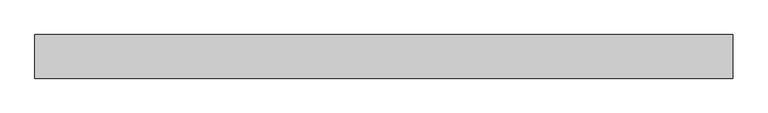
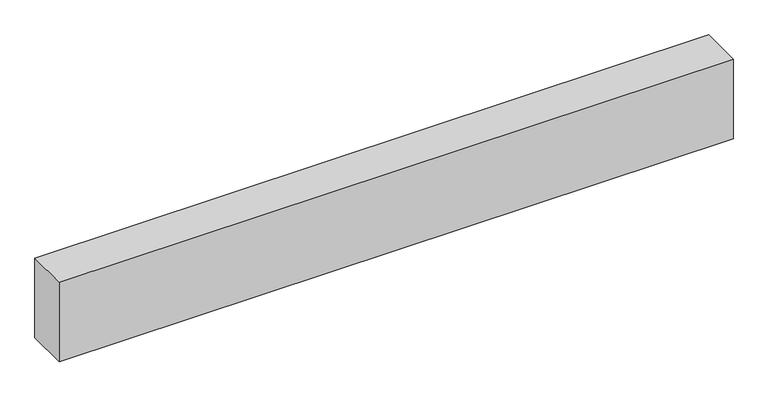
"""IFC4 building model written with IfcOpenShell, lengths in millimetres: proxy geometry."""

from ifc_helpers import new_model, si_unit, origin, origin_with_axes, place, context, project, spatial, polyline, outline, extrude, source, transform, mapped, element, save


def generic_models_3f3c69b7(model_context):
    return source(origin(), model_context, "Body", "SweptSolid", [
        extrude(outline(polyline([(0.0, -500.0), (-8000.0, -500.0), (-8000.0, 0.0), (0.0, 0.0), (0.0, -500.0)])), origin_with_axes(), (0.0, 0.0, 1.0), 1000.0),
    ])


if __name__ == "__main__":
    model = new_model("IFC4")
    model_context = context("Model", 3, world=origin())
    ifc_project = project(units=[si_unit("LENGTHUNIT", "METRE", prefix="MILLI")], contexts=[model_context])
    site = spatial("IfcSite", under=ifc_project)
    building = spatial("IfcBuilding", under=site)
    placement = place(None, origin())
    generic_models_shape = generic_models_3f3c69b7(model_context)
    element("IfcBuildingElementProxy", 1, Name="Generic Models", at=placement, inside=building, context=model_context, shape_type="MappedRepresentation", body=[
        mapped(generic_models_shape, transform((0.0, 0.0, 0.0), x_axis=(1.0, 0.0, 0.0), y_axis=(0.0, 1.0, 0.0), z_axis=(0.0, 0.0, 1.0))),
    ])
    save(model, "model.ifc")
